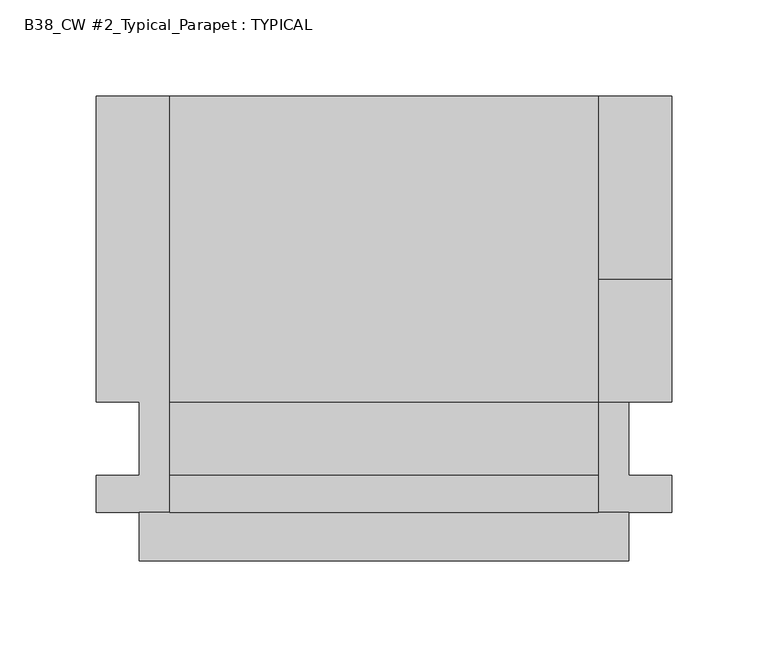
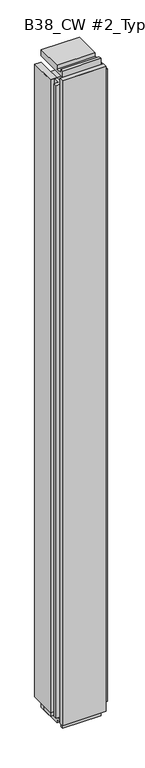
"""IFC4 building model written with IfcOpenShell, lengths in millimetres: plate geometry, B38_CW #2_Typical_Parapet : TYPICAL."""

from ifc_helpers import new_model, si_unit, frame, origin, origin_with_axes, place, context, project, spatial, polyline, outline, extrude, source, transform, mapped, element, save


def b38_cw_2_typical_parapet_typical_86ca332a(model_context):
    return source(origin(), model_context, "Body", "SweptSolid", [
        extrude(outline(polyline([(-127.0, -25.4), (127.0, -25.4), (127.0, -50.8), (-127.0, -50.8), (-127.0, -25.4)])), origin_with_axes(), (0.0, 0.0, 1.0), 3962.4),
        extrude(outline(polyline([(-50.8, -50.8), (-50.8, -25.4), (127.0, -25.4), (127.0, -50.8), (-50.8, -50.8)])), origin_with_axes(), (0.0, 0.0, 1.0), 3962.4),
        extrude(outline(polyline([(-127.0, -50.8), (-127.0, -25.4), (50.8, -25.4), (50.8, -50.8), (-127.0, -50.8)])), origin_with_axes(), (0.0, 0.0, 1.0), 3962.4),
        extrude(outline(polyline([(-149.225, 190.5), (-111.125, 190.5), (-111.125, -25.4), (-149.225, -25.4), (-149.225, -6.35), (-127.0, -6.35), (-127.0, 31.75), (-149.225, 31.75), (-149.225, 190.5)])), frame((0.0, 0.0, 38.1), z_axis=(0.0, 0.0, 1.0), x_axis=(1.0, 0.0, 0.0)), (0.0, 0.0, 1.0), 3886.2),
        extrude(outline(polyline([(-149.225, 31.75), (-149.225, 95.25), (149.225, 95.25), (149.225, 31.75), (-149.225, 31.75)])), frame((0.0, 0.0, 15.875), z_axis=(0.0, 0.0, 1.0), x_axis=(1.0, 0.0, 0.0)), (0.0, 0.0, 1.0), 3908.425),
        extrude(outline(polyline([(190.5, -38.1), (31.75, -38.1), (31.75, -15.875), (-6.35, -15.875), (-6.35, -38.1), (-25.4, -38.1), (-25.4, 0.0), (190.5, 0.0), (190.5, -38.1)])), frame((-111.125, 0.0, 0.0), z_axis=(1.0, 0.0, 0.0), x_axis=(0.0, 1.0, 0.0)), (0.0, 0.0, 1.0), 222.25),
        extrude(outline(polyline([(190.5, 4000.5), (190.5, 3962.4), (-25.4, 3962.4), (-25.4, 4000.5), (-6.35, 4000.5), (-6.35, 3978.275), (31.75, 3978.275), (31.75, 4000.5), (190.5, 4000.5)])), frame((-111.125, 0.0, 0.0), z_axis=(1.0, 0.0, 0.0), x_axis=(0.0, 1.0, 0.0)), (0.0, 0.0, 1.0), 222.25),
        extrude(outline(polyline([(149.225, 190.5), (149.225, 31.75), (127.0, 31.75), (127.0, -6.35), (149.225, -6.35), (149.225, -25.4), (111.125, -25.4), (111.125, 190.5), (149.225, 190.5)])), frame((0.0, 0.0, 38.1), z_axis=(0.0, 0.0, 1.0), x_axis=(1.0, 0.0, 0.0)), (0.0, 0.0, 1.0), 3886.2),
    ])


if __name__ == "__main__":
    model = new_model("IFC4")
    model_context = context("Model", 3, world=origin())
    ifc_project = project(units=[si_unit("LENGTHUNIT", "METRE", prefix="MILLI")], contexts=[model_context])
    site = spatial("IfcSite", under=ifc_project)
    building = spatial("IfcBuilding", under=site)
    placement = place(None, origin())
    b38_cw_2_typical_parapet_typical_shape = b38_cw_2_typical_parapet_typical_86ca332a(model_context)
    element("IfcPlate", 1, ObjectType="B38_CW #2_Typical_Parapet : TYPICAL", at=placement, inside=building, context=model_context, shape_type="MappedRepresentation", body=[
        mapped(b38_cw_2_typical_parapet_typical_shape, transform((0.0, 0.0, 0.0), x_axis=(1.0, 0.0, 0.0), y_axis=(0.0, 1.0, 0.0), z_axis=(0.0, 0.0, 1.0))),
    ])
    save(model, "model.ifc")
